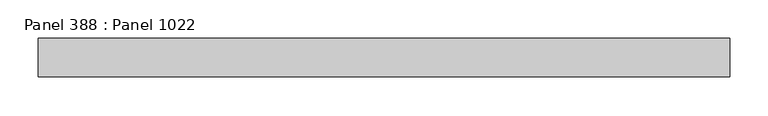
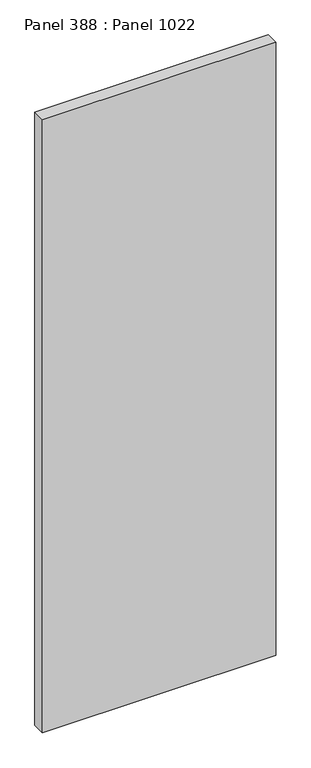
"""IFC4 building model written with IfcOpenShell, lengths in millimetres: proxy geometry, Panel 388 : Panel 1022."""

from ifc_helpers import new_model, si_unit, frame, origin, place, context, project, spatial, polyline, outline, extrude, source, transform, mapped, element, save


def panel_388_panel_1022_3c26a88b(model_context):
    return source(origin(), model_context, "Body", "SweptSolid", [
        extrude(outline(polyline([(33967.4761066, 344155.7854861), (33967.476107, 344105.785444), (33067.4761059, 344105.7854763), (33067.4761055, 344155.7855185), (33967.4761066, 344155.7854861)])), frame((0.0, 0.0, 34575.0), z_axis=(0.0, 0.0, 1.0), x_axis=(1.0, 0.0, 0.0)), (0.0, 0.0, 1.0), 2500.0),
    ])


if __name__ == "__main__":
    model = new_model("IFC4")
    model_context = context("Model", 3, world=origin())
    ifc_project = project(units=[si_unit("LENGTHUNIT", "METRE", prefix="MILLI")], contexts=[model_context])
    site = spatial("IfcSite", under=ifc_project)
    building = spatial("IfcBuilding", under=site)
    placement = place(None, origin())
    panel_388_panel_1022_shape = panel_388_panel_1022_3c26a88b(model_context)
    element("IfcBuildingElementProxy", 1, Name="Panel 388 : Panel 1022", ObjectType="Panel 388 : Panel 1022", at=placement, inside=building, context=model_context, shape_type="MappedRepresentation", body=[
        mapped(panel_388_panel_1022_shape, transform((0.0, 0.0, 0.0), x_axis=(1.0, 0.0, 0.0), y_axis=(0.0, 1.0, 0.0), z_axis=(0.0, 0.0, 1.0))),
    ])
    save(model, "model.ifc")
